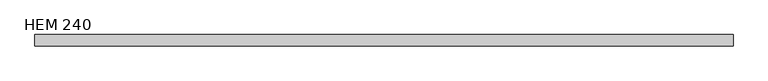
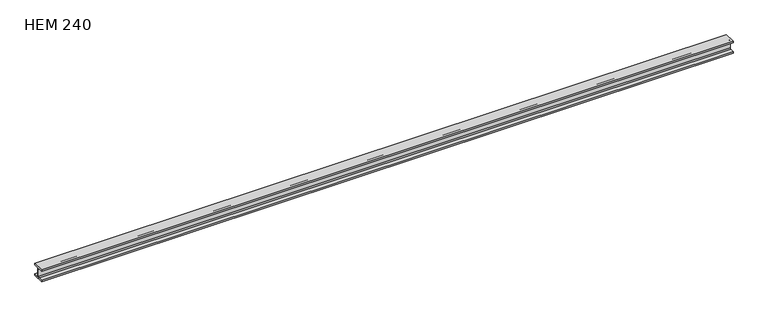
"""IFC4 building model written with IfcOpenShell, lengths in millimetres: beam geometry, HEM 240."""

import ifcopenshell
import ifcopenshell.guid

model = None  # the IFC model being written
_history = None  # IfcOwnerHistory: only IFC2X3 demands one
_inside = {}  # id of a spatial element -> (the spatial element, [elements in it])
_under = {}  # id of a project, library or spatial element -> (it, [spatial elements below it])
_declared = {}  # id of a project -> (the project, [libraries it declares])
_typed = {}  # id of a type object -> (the type object, [elements of that type])
_made_of = {}  # id of a material, layer set ... -> (it, [elements and type objects made of it])


def new_model(schema):
    """Start an empty IFC model of exactly this schema.

    Asked for "IFC4X3", IfcOpenShell would pick the latest addendum, in which some entities
    have other attributes; the version numbers below select the first issue.
    IFC2X3 requires an IfcOwnerHistory on every rooted entity: one is made here for all.
    """
    global model, _history
    if schema == "IFC4X3":
        model = ifcopenshell.file(schema_version=(4, 3, 0, 0))
    else:
        model = ifcopenshell.file(schema=schema)
    _inside.clear()
    _under.clear()
    _declared.clear()
    _typed.clear()
    _made_of.clear()
    _history = None
    if model.schema == "IFC2X3":
        org = make("IfcOrganization", Name="unknown")
        user = make(
            "IfcPersonAndOrganization",
            ThePerson=make("IfcPerson", FamilyName="unknown"),
            TheOrganization=org,
        )
        app = make(
            "IfcApplication",
            ApplicationDeveloper=org,
            Version="unknown",
            ApplicationFullName="unknown",
            ApplicationIdentifier="unknown",
        )
        _history = make(
            "IfcOwnerHistory",
            OwningUser=user,
            OwningApplication=app,
            ChangeAction="ADDED",
            CreationDate=0,
        )
    return model


def make(cls, **values):
    """One entity of the class cls with the attributes given. An attribute that is None is left unset."""
    return model.create_entity(
        cls, **{name: value for name, value in values.items() if value is not None}
    )


def rooted(cls, **values):
    """An entity with a GlobalId (a new one), such as an element, a storey or a relation."""
    return make(cls, GlobalId=ifcopenshell.guid.new(), OwnerHistory=_history, **values)


def si_unit(unit_type, name, prefix=None):
    """IfcSIUnit, for example si_unit("LENGTHUNIT", "METRE", prefix="MILLI")."""
    return make("IfcSIUnit", UnitType=unit_type, Prefix=prefix, Name=name)


def assignment(units):
    """IfcUnitAssignment: the units of a project."""
    return None if units is None else make("IfcUnitAssignment", Units=units)


def point(xyz):
    """IfcCartesianPoint."""
    return None if xyz is None else make("IfcCartesianPoint", Coordinates=xyz)


def direction(xyz):
    """IfcDirection."""
    return None if xyz is None else make("IfcDirection", DirectionRatios=xyz)


def frame(location, z_axis=None, x_axis=None):
    """IfcAxis2Placement3D, a coordinate frame: its origin and axes. An axis left out is left unset."""
    return make(
        "IfcAxis2Placement3D",
        Location=point(location),
        Axis=direction(z_axis),
        RefDirection=direction(x_axis),
    )


def frame_2d(location, x_axis=None):
    """IfcAxis2Placement2D, a coordinate frame in the plane: its origin and x axis."""
    return make(
        "IfcAxis2Placement2D", Location=point(location), RefDirection=direction(x_axis)
    )


def origin():
    """The frame at (0, 0, 0) with its axes left unset."""
    return frame((0.0, 0.0, 0.0))


def place(relative_to, where):
    """IfcLocalPlacement: puts the frame where relative to a parent placement (None: the world)."""
    return make(
        "IfcLocalPlacement", PlacementRelTo=relative_to, RelativePlacement=where
    )


def context(
    kind, dimensions, precision=None, world=None, true_north=None, identifier=None
):
    """IfcGeometricRepresentationContext, for example the 3D "Model" context."""
    return make(
        "IfcGeometricRepresentationContext",
        ContextIdentifier=identifier,
        ContextType=kind,
        CoordinateSpaceDimension=dimensions,
        Precision=precision,
        WorldCoordinateSystem=world,
        TrueNorth=true_north,
    )


def project(units=None, contexts=None):
    """IfcProject with its units and contexts."""
    return rooted(
        "IfcProject",
        Name="project",
        RepresentationContexts=contexts,
        UnitsInContext=assignment(units),
    )


def spatial(cls, under=None, at=None, **own):
    """A site, building, storey or space (cls), placed at a placement, below another one or the project."""
    s = rooted(cls, ObjectPlacement=at, **own)
    if under is not None:
        _under.setdefault(under.id(), (under, []))[1].append(s)
    return s


def polyline(points):
    """IfcPolyline through the points."""
    return make("IfcPolyline", Points=[point(p) for p in points])


def circle_curve(where, radius):
    """IfcCircle in the frame where."""
    return make("IfcCircle", Position=where, Radius=radius)


def trimmed(basis, trim1, trim2, sense, master):
    """IfcTrimmedCurve: the piece of a basis curve between two trims."""
    return make(
        "IfcTrimmedCurve",
        BasisCurve=basis,
        Trim1=trim1,
        Trim2=trim2,
        SenseAgreement=sense,
        MasterRepresentation=master,
    )


def segment(curve, same_sense, transition):
    """IfcCompositeCurveSegment."""
    return make(
        "IfcCompositeCurveSegment",
        Transition=transition,
        SameSense=same_sense,
        ParentCurve=curve,
    )


def composite_curve(segments, self_intersect=None):
    """IfcCompositeCurve: segments joined end to end."""
    return make("IfcCompositeCurve", Segments=segments, SelfIntersect=self_intersect)


def outline(outer, holes=None, kind="AREA"):
    """IfcArbitraryClosedProfileDef: a profile drawn as a closed curve; with holes, ...WithVoids."""
    if holes is None:
        return make("IfcArbitraryClosedProfileDef", ProfileType=kind, OuterCurve=outer)
    return make(
        "IfcArbitraryProfileDefWithVoids",
        ProfileType=kind,
        OuterCurve=outer,
        InnerCurves=holes,
    )


def extrude(swept, where, along, depth):
    """IfcExtrudedAreaSolid: the profile swept, set in the frame where, extruded along a direction by depth."""
    return make(
        "IfcExtrudedAreaSolid",
        SweptArea=swept,
        Position=where,
        ExtrudedDirection=direction(along),
        Depth=depth,
    )


def shape(context_of_items, identifier, shape_type, items):
    """IfcShapeRepresentation: the items that make up one representation, for example the "Body"."""
    return make(
        "IfcShapeRepresentation",
        ContextOfItems=context_of_items,
        RepresentationIdentifier=identifier,
        RepresentationType=shape_type,
        Items=items,
    )


def source(mapping_origin, context_of_items, identifier, shape_type, items):
    """IfcRepresentationMap: a shape defined once, which mapped items show again and again."""
    return make(
        "IfcRepresentationMap",
        MappingOrigin=mapping_origin,
        MappedRepresentation=shape(context_of_items, identifier, shape_type, items),
    )


def transform(
    local_origin,
    x_axis=None,
    y_axis=None,
    z_axis=None,
    scale=None,
    scale2=None,
    scale3=None,
    uniform=True,
):
    """IfcCartesianTransformationOperator3D, or its non-uniform kind. x_axis, y_axis, z_axis: its Axis1, 2, 3."""
    if uniform:
        return make(
            "IfcCartesianTransformationOperator3D",
            Axis1=direction(x_axis),
            Axis2=direction(y_axis),
            LocalOrigin=point(local_origin),
            Scale=scale,
            Axis3=direction(z_axis),
        )
    return make(
        "IfcCartesianTransformationOperator3DnonUniform",
        Axis1=direction(x_axis),
        Axis2=direction(y_axis),
        LocalOrigin=point(local_origin),
        Scale=scale,
        Axis3=direction(z_axis),
        Scale2=scale2,
        Scale3=scale3,
    )


def mapped(mapping_source, mapping_target):
    """IfcMappedItem: shows the shape of a source again, moved by a transform."""
    return make(
        "IfcMappedItem", MappingSource=mapping_source, MappingTarget=mapping_target
    )


def made_of(thing, what):
    """Note that an element or type object is made of a material, layer set ...; save() writes the relation."""
    if what is not None:
        _made_of.setdefault(what.id(), (what, []))[1].append(thing)
    return thing


def element(
    cls,
    number,
    at=None,
    inside=None,
    cuts=None,
    type_object=None,
    material=None,
    context=None,
    identifier="Body",
    shape_type=None,
    held_by="IfcProductDefinitionShape",
    body=None,
    shapes=None,
    **own,
):
    """One element of the class cls, such as IfcWall. Its Tag is "e" and its number.

    at: its placement. inside: the storey or other place that contains it. cuts: it is an
    opening in that element (IfcRelVoidsElement). A single representation is given by context,
    identifier, shape_type and body (its items); several are given by shapes. held_by: the class
    of the entity that holds the representations. save() writes the other relations.
    """
    e = rooted(cls, Tag="e%d" % number, ObjectPlacement=at, **own)
    if body is not None:
        shapes = [shape(context, identifier, shape_type, body)]
    if shapes is not None:
        e.Representation = make(held_by, Representations=shapes)
    if inside is not None:
        _inside.setdefault(inside.id(), (inside, []))[1].append(e)
    if cuts is not None:
        rooted(
            "IfcRelVoidsElement", RelatingBuildingElement=cuts, RelatedOpeningElement=e
        )
    if type_object is not None:
        _typed.setdefault(type_object.id(), (type_object, []))[1].append(e)
    return made_of(e, material)


def aggregate(whole, parts):
    """IfcRelAggregates: a whole, such as a stair, and the parts it consists of."""
    return rooted("IfcRelAggregates", RelatingObject=whole, RelatedObjects=parts)


def save(model, path):
    """Write the relations noted so far, then the file.

    IfcRelAggregates (storeys below a building ...), IfcRelContainedInSpatialStructure (elements
    in a storey), IfcRelDefinesByType, IfcRelAssociatesMaterial and IfcRelDeclares: one each for
    every whole, place, type object, material and project.
    """
    for whole, parts in _under.values():
        aggregate(whole, parts)
    for where, things in _inside.values():
        rooted(
            "IfcRelContainedInSpatialStructure",
            RelatedElements=things,
            RelatingStructure=where,
        )
    for kind, things in _typed.values():
        rooted("IfcRelDefinesByType", RelatedObjects=things, RelatingType=kind)
    for what, things in _made_of.values():
        rooted("IfcRelAssociatesMaterial", RelatedObjects=things, RelatingMaterial=what)
    for by, libraries in _declared.values():
        rooted("IfcRelDeclares", RelatingContext=by, RelatedDefinitions=libraries)
    model.write(path)


def hem_240_af4b430f(model_context):
    return source(origin(), model_context, "Body", "SweptSolid", [
        extrude(outline(composite_curve([segment(polyline([(124.0, -103.0), (124.0, -135.0), (-124.0, -135.0), (-124.0, -103.0), (-30.0, -103.0)]), True, "CONTINUOUS"), segment(trimmed(circle_curve(frame_2d((-30.0, -82.0)), 21.0), [point((-30.0, -103.0))], [point((-9.0, -82.0))], True, "CARTESIAN"), True, "CONTINUOUS"), segment(polyline([(-9.0, -82.0), (-9.0, 82.0)]), True, "CONTINUOUS"), segment(trimmed(circle_curve(frame_2d((-30.0, 82.0)), 21.0), [point((-9.0, 82.0))], [point((-30.0, 103.0))], True, "CARTESIAN"), True, "CONTINUOUS"), segment(polyline([(-30.0, 103.0), (-124.0, 103.0), (-124.0, 135.0), (124.0, 135.0), (124.0, 103.0), (30.0, 103.0)]), True, "CONTINUOUS"), segment(trimmed(circle_curve(frame_2d((30.0, 82.0)), 21.0), [point((30.0, 103.0))], [point((9.0, 82.0))], True, "CARTESIAN"), True, "CONTINUOUS"), segment(polyline([(9.0, 82.0), (9.0, -82.0)]), True, "CONTINUOUS"), segment(trimmed(circle_curve(frame_2d((30.0, -82.0)), 21.0), [point((9.0, -82.0))], [point((30.0, -103.0))], True, "CARTESIAN"), True, "CONTINUOUS"), segment(polyline([(30.0, -103.0), (124.0, -103.0)]), True, "CONTINUOUS")], self_intersect=False)), frame((-7500.0, 0.0, 0.0), z_axis=(1.0, 0.0, 0.0), x_axis=(0.0, 1.0, 0.0)), (0.0, 0.0, 1.0), 15000.0),
    ])


if __name__ == "__main__":
    model = new_model("IFC4")
    model_context = context("Model", 3, world=origin())
    ifc_project = project(units=[si_unit("LENGTHUNIT", "METRE", prefix="MILLI")], contexts=[model_context])
    site = spatial("IfcSite", under=ifc_project)
    building = spatial("IfcBuilding", under=site)
    placement = place(None, origin())
    hem_240_shape = hem_240_af4b430f(model_context)
    element("IfcBeam", 1, ObjectType="HEM 240", at=placement, inside=building, context=model_context, shape_type="MappedRepresentation", body=[
        mapped(hem_240_shape, transform((0.0, 0.0, 0.0), x_axis=(1.0, 0.0, 0.0), y_axis=(0.0, 1.0, 0.0), z_axis=(0.0, 0.0, 1.0))),
    ])
    save(model, "model.ifc")
